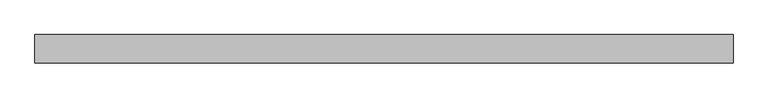
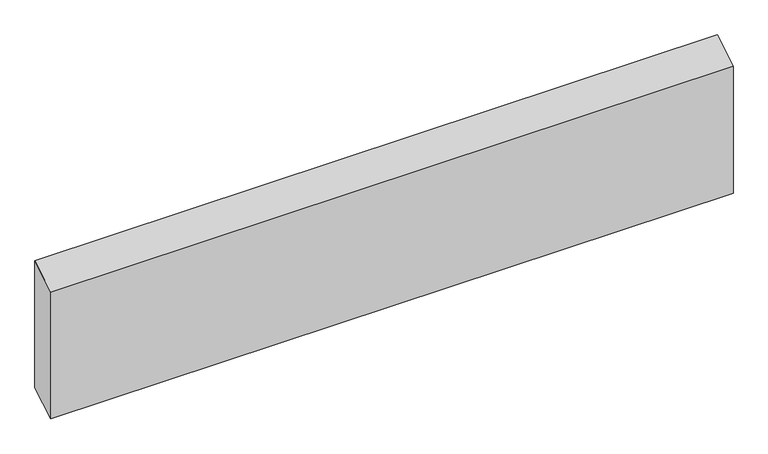
"""IFC4 building model written with IfcOpenShell, lengths in millimetres: beam geometry."""

from ifc_helpers import new_model, si_unit, frame, origin, place, context, project, spatial, polyline, outline, extrude, source, transform, mapped, element, save


def beam_1a7caf8a(model_context):
    return source(origin(), model_context, "Body", "SweptSolid", [
        extrude(outline(polyline([(24.0, 129.7703666), (24.0, -101.7703666), (-24.0, -129.7703666), (-24.0, 101.7703666), (24.0, 129.7703666)])), frame((-589.0, 0.0, 0.0), z_axis=(1.0, 0.0, 0.0), x_axis=(0.0, 1.0, 0.0)), (0.0, 0.0, 1.0), 1178.0),
    ])


if __name__ == "__main__":
    model = new_model("IFC4")
    model_context = context("Model", 3, world=origin())
    ifc_project = project(units=[si_unit("LENGTHUNIT", "METRE", prefix="MILLI")], contexts=[model_context])
    site = spatial("IfcSite", under=ifc_project)
    building = spatial("IfcBuilding", under=site)
    placement = place(None, origin())
    beam_shape = beam_1a7caf8a(model_context)
    element("IfcBeam", 1, at=placement, inside=building, context=model_context, shape_type="MappedRepresentation", body=[
        mapped(beam_shape, transform((0.0, 0.0, 0.0), x_axis=(1.0, 0.0, 0.0), y_axis=(0.0, 1.0, 0.0), z_axis=(0.0, 0.0, 1.0))),
    ])
    save(model, "model.ifc")
